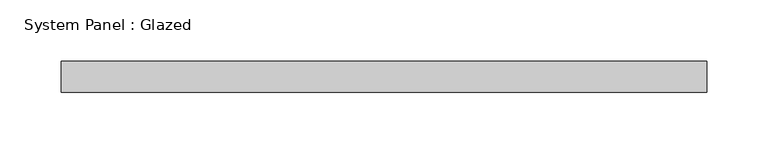
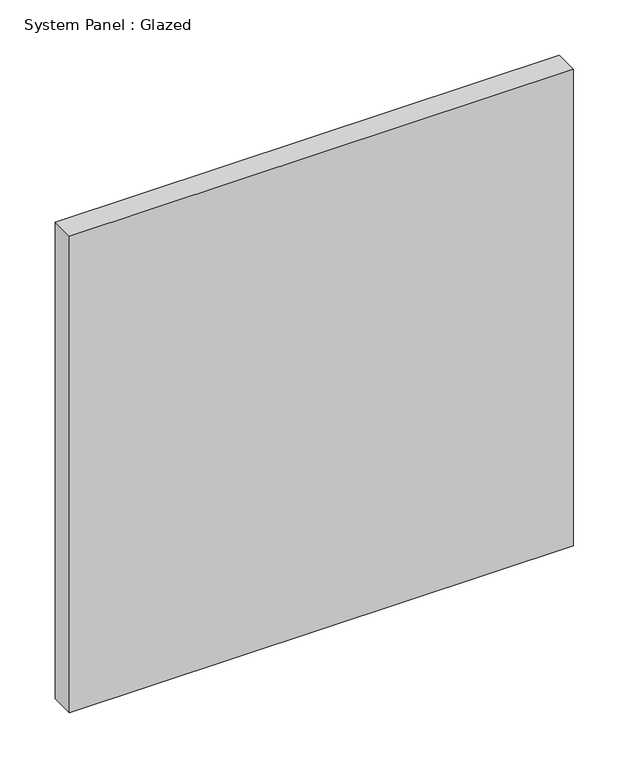
"""IFC4 building model written with IfcOpenShell, lengths in millimetres: plate geometry, System Panel : Glazed."""

from ifc_helpers import new_model, si_unit, origin, origin_with_axes, place, context, project, spatial, polyline, outline, extrude, source, transform, mapped, element, save


def system_panel_glazed_7a6f895b(model_context):
    return source(origin(), model_context, "Body", "SweptSolid", [
        extrude(outline(polyline([(262.5, 24.5), (-262.5, 24.5), (-262.5, 49.5), (262.5, 49.5), (262.5, 24.5)])), origin_with_axes(), (0.0, 0.0, 1.0), 525.0),
    ])


if __name__ == "__main__":
    model = new_model("IFC4")
    model_context = context("Model", 3, world=origin())
    ifc_project = project(units=[si_unit("LENGTHUNIT", "METRE", prefix="MILLI")], contexts=[model_context])
    site = spatial("IfcSite", under=ifc_project)
    building = spatial("IfcBuilding", under=site)
    placement = place(None, origin())
    system_panel_glazed_shape = system_panel_glazed_7a6f895b(model_context)
    element("IfcPlate", 1, ObjectType="System Panel : Glazed", at=placement, inside=building, context=model_context, shape_type="MappedRepresentation", body=[
        mapped(system_panel_glazed_shape, transform((0.0, 0.0, 0.0), x_axis=(1.0, 0.0, 0.0), y_axis=(0.0, 1.0, 0.0), z_axis=(0.0, 0.0, 1.0))),
    ])
    save(model, "model.ifc")
